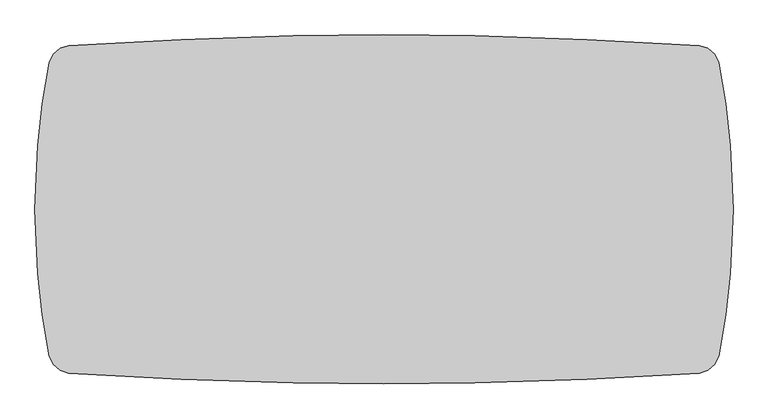
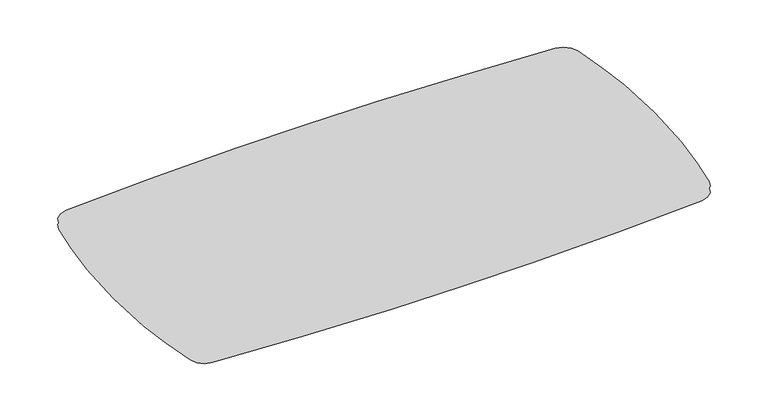
"""IFC4 building model written with IfcOpenShell, lengths in millimetres: furniture geometry."""

import ifcopenshell
import ifcopenshell.guid

model = None  # the IFC model being written
_history = None  # IfcOwnerHistory: only IFC2X3 demands one
_inside = {}  # id of a spatial element -> (the spatial element, [elements in it])
_under = {}  # id of a project, library or spatial element -> (it, [spatial elements below it])
_declared = {}  # id of a project -> (the project, [libraries it declares])
_typed = {}  # id of a type object -> (the type object, [elements of that type])
_made_of = {}  # id of a material, layer set ... -> (it, [elements and type objects made of it])


def new_model(schema):
    """Start an empty IFC model of exactly this schema.

    Asked for "IFC4X3", IfcOpenShell would pick the latest addendum, in which some entities
    have other attributes; the version numbers below select the first issue.
    IFC2X3 requires an IfcOwnerHistory on every rooted entity: one is made here for all.
    """
    global model, _history
    if schema == "IFC4X3":
        model = ifcopenshell.file(schema_version=(4, 3, 0, 0))
    else:
        model = ifcopenshell.file(schema=schema)
    _inside.clear()
    _under.clear()
    _declared.clear()
    _typed.clear()
    _made_of.clear()
    _history = None
    if model.schema == "IFC2X3":
        org = make("IfcOrganization", Name="unknown")
        user = make(
            "IfcPersonAndOrganization",
            ThePerson=make("IfcPerson", FamilyName="unknown"),
            TheOrganization=org,
        )
        app = make(
            "IfcApplication",
            ApplicationDeveloper=org,
            Version="unknown",
            ApplicationFullName="unknown",
            ApplicationIdentifier="unknown",
        )
        _history = make(
            "IfcOwnerHistory",
            OwningUser=user,
            OwningApplication=app,
            ChangeAction="ADDED",
            CreationDate=0,
        )
    return model


def make(cls, **values):
    """One entity of the class cls with the attributes given. An attribute that is None is left unset."""
    return model.create_entity(
        cls, **{name: value for name, value in values.items() if value is not None}
    )


def rooted(cls, **values):
    """An entity with a GlobalId (a new one), such as an element, a storey or a relation."""
    return make(cls, GlobalId=ifcopenshell.guid.new(), OwnerHistory=_history, **values)


def si_unit(unit_type, name, prefix=None):
    """IfcSIUnit, for example si_unit("LENGTHUNIT", "METRE", prefix="MILLI")."""
    return make("IfcSIUnit", UnitType=unit_type, Prefix=prefix, Name=name)


def assignment(units):
    """IfcUnitAssignment: the units of a project."""
    return None if units is None else make("IfcUnitAssignment", Units=units)


def point(xyz):
    """IfcCartesianPoint."""
    return None if xyz is None else make("IfcCartesianPoint", Coordinates=xyz)


def direction(xyz):
    """IfcDirection."""
    return None if xyz is None else make("IfcDirection", DirectionRatios=xyz)


def frame(location, z_axis=None, x_axis=None):
    """IfcAxis2Placement3D, a coordinate frame: its origin and axes. An axis left out is left unset."""
    return make(
        "IfcAxis2Placement3D",
        Location=point(location),
        Axis=direction(z_axis),
        RefDirection=direction(x_axis),
    )


def origin():
    """The frame at (0, 0, 0) with its axes left unset."""
    return frame((0.0, 0.0, 0.0))


def place(relative_to, where):
    """IfcLocalPlacement: puts the frame where relative to a parent placement (None: the world)."""
    return make(
        "IfcLocalPlacement", PlacementRelTo=relative_to, RelativePlacement=where
    )


def context(
    kind, dimensions, precision=None, world=None, true_north=None, identifier=None
):
    """IfcGeometricRepresentationContext, for example the 3D "Model" context."""
    return make(
        "IfcGeometricRepresentationContext",
        ContextIdentifier=identifier,
        ContextType=kind,
        CoordinateSpaceDimension=dimensions,
        Precision=precision,
        WorldCoordinateSystem=world,
        TrueNorth=true_north,
    )


def project(units=None, contexts=None):
    """IfcProject with its units and contexts."""
    return rooted(
        "IfcProject",
        Name="project",
        RepresentationContexts=contexts,
        UnitsInContext=assignment(units),
    )


def spatial(cls, under=None, at=None, **own):
    """A site, building, storey or space (cls), placed at a placement, below another one or the project."""
    s = rooted(cls, ObjectPlacement=at, **own)
    if under is not None:
        _under.setdefault(under.id(), (under, []))[1].append(s)
    return s


def point_list(points):
    """IfcCartesianPointList2D or 3D."""
    cls = (
        "IfcCartesianPointList2D" if len(points[0]) == 2 else "IfcCartesianPointList3D"
    )
    return make(cls, CoordList=points)


def triangles(points, corners, closed=None, point_numbers=None):
    """IfcTriangulatedFaceSet: each triangle names its three corners, points numbered from 1."""
    return make(
        "IfcTriangulatedFaceSet",
        Coordinates=point_list(points),
        Closed=closed,
        CoordIndex=corners,
        PnIndex=point_numbers,
    )


def shape(context_of_items, identifier, shape_type, items):
    """IfcShapeRepresentation: the items that make up one representation, for example the "Body"."""
    return make(
        "IfcShapeRepresentation",
        ContextOfItems=context_of_items,
        RepresentationIdentifier=identifier,
        RepresentationType=shape_type,
        Items=items,
    )


def source(mapping_origin, context_of_items, identifier, shape_type, items):
    """IfcRepresentationMap: a shape defined once, which mapped items show again and again."""
    return make(
        "IfcRepresentationMap",
        MappingOrigin=mapping_origin,
        MappedRepresentation=shape(context_of_items, identifier, shape_type, items),
    )


def transform(
    local_origin,
    x_axis=None,
    y_axis=None,
    z_axis=None,
    scale=None,
    scale2=None,
    scale3=None,
    uniform=True,
):
    """IfcCartesianTransformationOperator3D, or its non-uniform kind. x_axis, y_axis, z_axis: its Axis1, 2, 3."""
    if uniform:
        return make(
            "IfcCartesianTransformationOperator3D",
            Axis1=direction(x_axis),
            Axis2=direction(y_axis),
            LocalOrigin=point(local_origin),
            Scale=scale,
            Axis3=direction(z_axis),
        )
    return make(
        "IfcCartesianTransformationOperator3DnonUniform",
        Axis1=direction(x_axis),
        Axis2=direction(y_axis),
        LocalOrigin=point(local_origin),
        Scale=scale,
        Axis3=direction(z_axis),
        Scale2=scale2,
        Scale3=scale3,
    )


def mapped(mapping_source, mapping_target):
    """IfcMappedItem: shows the shape of a source again, moved by a transform."""
    return make(
        "IfcMappedItem", MappingSource=mapping_source, MappingTarget=mapping_target
    )


def made_of(thing, what):
    """Note that an element or type object is made of a material, layer set ...; save() writes the relation."""
    if what is not None:
        _made_of.setdefault(what.id(), (what, []))[1].append(thing)
    return thing


def element(
    cls,
    number,
    at=None,
    inside=None,
    cuts=None,
    type_object=None,
    material=None,
    context=None,
    identifier="Body",
    shape_type=None,
    held_by="IfcProductDefinitionShape",
    body=None,
    shapes=None,
    **own,
):
    """One element of the class cls, such as IfcWall. Its Tag is "e" and its number.

    at: its placement. inside: the storey or other place that contains it. cuts: it is an
    opening in that element (IfcRelVoidsElement). A single representation is given by context,
    identifier, shape_type and body (its items); several are given by shapes. held_by: the class
    of the entity that holds the representations. save() writes the other relations.
    """
    e = rooted(cls, Tag="e%d" % number, ObjectPlacement=at, **own)
    if body is not None:
        shapes = [shape(context, identifier, shape_type, body)]
    if shapes is not None:
        e.Representation = make(held_by, Representations=shapes)
    if inside is not None:
        _inside.setdefault(inside.id(), (inside, []))[1].append(e)
    if cuts is not None:
        rooted(
            "IfcRelVoidsElement", RelatingBuildingElement=cuts, RelatedOpeningElement=e
        )
    if type_object is not None:
        _typed.setdefault(type_object.id(), (type_object, []))[1].append(e)
    return made_of(e, material)


def aggregate(whole, parts):
    """IfcRelAggregates: a whole, such as a stair, and the parts it consists of."""
    return rooted("IfcRelAggregates", RelatingObject=whole, RelatedObjects=parts)


def save(model, path):
    """Write the relations noted so far, then the file.

    IfcRelAggregates (storeys below a building ...), IfcRelContainedInSpatialStructure (elements
    in a storey), IfcRelDefinesByType, IfcRelAssociatesMaterial and IfcRelDeclares: one each for
    every whole, place, type object, material and project.
    """
    for whole, parts in _under.values():
        aggregate(whole, parts)
    for where, things in _inside.values():
        rooted(
            "IfcRelContainedInSpatialStructure",
            RelatedElements=things,
            RelatingStructure=where,
        )
    for kind, things in _typed.values():
        rooted("IfcRelDefinesByType", RelatedObjects=things, RelatingType=kind)
    for what, things in _made_of.values():
        rooted("IfcRelAssociatesMaterial", RelatedObjects=things, RelatingMaterial=what)
    for by, libraries in _declared.values():
        rooted("IfcRelDeclares", RelatingContext=by, RelatedDefinitions=libraries)
    model.write(path)


def furniture_baf946ab(model_context):
    return source(origin(), model_context, "Body", "Tessellation", [
        triangles([(-1208.3254457, -223.0135496, 694.309001), (-1208.3254457, 223.0135496, 694.309001), (-1217.6750204, -0.050165, 694.309001), (-1191.9146742, -368.7703686, 694.309001), (-1191.9146742, 368.7703686, 694.309001), (-1167.4206751, -512.8201152, 694.309001), (-1167.4206751, 512.8201152, 694.309001), (-1153.9006428, 541.5841661, 694.309001), (-1153.9006428, -541.5841661, 694.309001), (-1129.8230427, -562.3309739, 694.309001), (-1129.8230427, 562.3309739, 694.309001), (-1099.3765726, -571.4511294, 694.309001), (-1099.3765726, 571.4511294, 694.309001), (-707.9010492, 593.180508, 694.309001), (-707.9010492, -593.180508, 694.309001), (1217.6769825, -0.050165, 694.309001), (1208.3274078, 223.0135496, 694.309001), (1208.3274078, -223.0135496, 694.309001), (1191.9167089, -368.7703686, 694.309001), (1191.9167089, 368.7703686, 694.309001), (1167.4226372, -512.8201152, 694.309001), (1167.4226372, 512.8201152, 694.309001), (1153.9026775, 541.5841661, 694.309001), (1153.9026775, -541.5841661, 694.309001), (1129.8250048, 562.3309739, 694.309001), (1129.8250048, -562.3309739, 694.309001), (1099.3786074, 571.4511294, 694.309001), (1099.3786074, -571.4511294, 694.309001), (315.9675233, 605.9490237, 694.309001), (315.9675233, -605.9490237, 694.309001), (0.0, -609.6, 694.309001), (0.0, 609.6, 694.309001), (707.9030113, -593.180508, 694.309001), (707.9030113, 593.180508, 694.309001), (-315.9655249, -605.9490237, 694.309001), (-315.9655249, 605.9490237, 694.309001), (-1217.6750204, -0.050165, 723.9), (-1208.3254457, 223.0135496, 723.9), (-1208.3254457, -223.0135496, 723.9), (-1191.9146742, -368.7703686, 723.9), (-1191.9146742, 368.7703686, 723.9), (-1167.4206751, -512.8201152, 723.9), (-1167.4206751, 512.8201152, 723.9), (-1153.9006428, 541.5841661, 723.9), (-1153.9006428, -541.5841661, 723.9), (-1129.8230427, 562.3309739, 723.9), (-1129.8230427, -562.3309739, 723.9), (-1099.3765726, 571.4511294, 723.9), (-1099.3765726, -571.4511294, 723.9), (-707.9010492, -593.180508, 723.9), (-707.9010492, 593.180508, 723.9), (1208.3274078, -223.0135496, 723.9), (1208.3274078, 223.0135496, 723.9), (1217.6769825, -0.050165, 723.9), (1191.9167089, -368.7703686, 723.9), (1191.9167089, 368.7703686, 723.9), (1167.4226372, -512.8201152, 723.9), (1167.4226372, 512.8201152, 723.9), (1153.9026775, 541.5841661, 723.9), (1153.9026775, -541.5841661, 723.9), (1129.8250048, -562.3309739, 723.9), (1129.8250048, 562.3309739, 723.9), (1099.3786074, -571.4511294, 723.9), (1099.3786074, 571.4511294, 723.9), (0.0, 609.6, 723.9), (0.0, -609.6, 723.9), (315.9675233, -605.9490237, 723.9), (315.9675233, 605.9490237, 723.9), (707.9030113, 593.180508, 723.9), (707.9030113, -593.180508, 723.9), (-315.9655249, 605.9490237, 723.9), (-315.9655249, -605.9490237, 723.9)], [[1, 2, 3], [4, 5, 2], [4, 2, 1], [6, 7, 5], [6, 5, 4], [7, 6, 8], [6, 9, 8], [8, 9, 10], [8, 10, 11], [11, 10, 12], [11, 12, 13], [14, 15, 12], [14, 12, 13], [16, 17, 18], [18, 17, 19], [17, 20, 19], [19, 20, 21], [20, 22, 21], [23, 24, 21], [23, 21, 22], [25, 26, 24], [25, 24, 23], [27, 28, 26], [27, 26, 25], [29, 30, 31], [29, 31, 32], [27, 28, 33], [27, 33, 34], [32, 31, 35], [32, 35, 36], [34, 33, 30], [34, 30, 29], [36, 35, 15], [36, 15, 14], [37, 38, 39], [39, 38, 40], [38, 41, 40], [40, 41, 42], [41, 43, 42], [44, 45, 42], [44, 42, 43], [46, 47, 45], [46, 45, 44], [48, 49, 47], [48, 47, 46], [48, 49, 50], [48, 50, 51], [52, 53, 54], [55, 56, 53], [55, 53, 52], [57, 58, 56], [57, 56, 55], [58, 57, 59], [57, 60, 59], [59, 60, 61], [59, 61, 62], [62, 61, 63], [62, 63, 64], [65, 66, 67], [65, 67, 68], [69, 70, 63], [69, 63, 64], [71, 72, 66], [71, 66, 65], [68, 67, 70], [68, 70, 69], [51, 50, 72], [51, 72, 71]], closed=False),
    ])


if __name__ == "__main__":
    model = new_model("IFC4")
    model_context = context("Model", 3, world=origin())
    ifc_project = project(units=[si_unit("LENGTHUNIT", "METRE", prefix="MILLI")], contexts=[model_context])
    site = spatial("IfcSite", under=ifc_project)
    building = spatial("IfcBuilding", under=site)
    placement = place(None, origin())
    furniture_shape = furniture_baf946ab(model_context)
    element("IfcFurniture", 1, at=placement, inside=building, context=model_context, shape_type="MappedRepresentation", body=[
        mapped(furniture_shape, transform((0.0, 0.0, 0.0), x_axis=(1.0, 0.0, 0.0), y_axis=(0.0, 1.0, 0.0), z_axis=(0.0, 0.0, 1.0))),
    ])
    save(model, "model.ifc")
